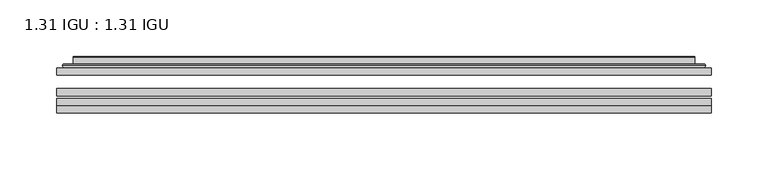
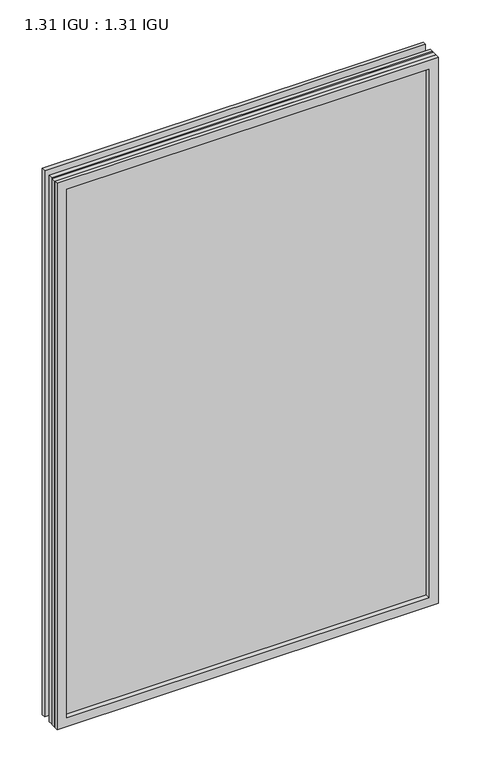
"""IFC4 building model written with IfcOpenShell, lengths in millimetres: plate geometry, 1.31 IGU : 1.31 IGU."""

from ifc_helpers import new_model, si_unit, frame, origin, place, context, project, spatial, polyline, ellipse_curve, outline, extrude, faceted_brep, source, transform, mapped, element, save
from ifc_brep_helpers import plane_surface, cylinder_surface, advanced_brep


def plate_1_31_igu_1_31_igu_5e510247(model_context):
    return source(origin(), model_context, "Body", "SolidModel", [
        extrude(outline(polyline([(287.351675, -63.59525), (287.351675, -69.94525), (-287.3375, -69.94525), (-287.3375, -63.59525), (287.351675, -63.59525)])), frame((0.0, 0.0, -14.2875), z_axis=(0.0, 0.0, 1.0), x_axis=(1.0, 0.0, 0.0)), (0.0, 0.0, 1.0), 869.9537979),
        extrude(outline(polyline([(-287.3375, -78.58125), (-287.3375, -72.230745), (287.351675, -72.230745), (287.351675, -78.58125), (-287.3375, -78.58125)])), frame((0.0, 0.0, -14.2875), z_axis=(0.0, 0.0, 1.0), x_axis=(1.0, 0.0, 0.0)), (0.0, 0.0, 1.0), 869.9537979),
        extrude(outline(polyline([(287.351675, -45.25645), (287.351675, -51.60645), (-287.3375, -51.60645), (-287.3375, -45.25645), (287.351675, -45.25645)])), frame((0.0, 0.0, -14.2875), z_axis=(0.0, 0.0, 1.0), x_axis=(1.0, 0.0, 0.0)), (0.0, 0.0, 1.0), 869.9537979),
        faceted_brep([(-287.3502, -84.93125, 855.6752), (-287.3502, -78.58125, 855.6752), (-287.3502, -78.58125, -14.3002), (-287.3502, -84.93125, -14.3002), (287.3502, -78.58125, -14.3002), (287.3502, -84.93125, -14.3002), (287.3502, -78.58125, 855.6752), (287.3502, -84.93125, 855.6752), (-272.1522559, -78.58125, 0.8977441), (272.1522559, -78.58125, 0.8977441), (272.1522559, -78.58125, 840.4772559), (-272.1522559, -78.58125, 840.4772559), (-273.0446902, -84.93125, 841.3696902), (273.0446902, -84.93125, 841.3696902), (273.0446902, -84.93125, 0.0053098), (-273.0446902, -84.93125, 0.0053098)], [[[0, 1, 2, 3]], [[3, 2, 4, 5]], [[5, 4, 6, 7]], [[1, 6, 4, 2], [8, 9, 10, 11]], [[7, 6, 1, 0]], [[3, 5, 7, 0], [12, 13, 14, 15]], [[11, 12, 15, 8]], [[8, 15, 14, 9]], [[9, 14, 13, 10]], [[10, 13, 12, 11]]]),
        advanced_brep(
        [(-280.096219, -45.25645, 848.4212191), (-282.4504244, -43.2667833, 850.7754244), (-282.4504244, -43.2667833, -9.4004244), (-280.096219, -45.25645, -7.046219), (-271.0218939, -41.416413, 839.3468939), (-266.0870621, -45.25645, 834.4120621), (-266.0870621, -45.25645, 6.9629379), (-271.0218939, -41.416413, 2.0281061), (-272.0539217, -36.0191819, 840.3789217), (-272.0539217, -36.0191819, 0.9960783), (-273.0445784, -35.6202069, 841.3695784), (-273.0445784, -35.6202069, 0.0054216), (-273.0445784, -42.08145, 841.3695784), (-273.0445784, -42.08145, 0.0054216), (-281.4486349, -42.08145, 849.7736349), (-281.4486349, -42.08145, -8.3986349), (282.4504244, -43.2667833, -9.4004244), (280.096219, -45.25645, -7.046219), (266.0870621, -45.25645, 6.9629379), (271.0218939, -41.416413, 2.0281061), (272.0539217, -36.0191819, 0.9960783), (273.0445784, -35.6202069, 0.0054216), (273.0445784, -42.08145, 0.0054216), (281.4486349, -42.08145, -8.3986349), (282.4504244, -43.2667833, 850.7754244), (280.096219, -45.25645, 848.4212191), (266.0870621, -45.25645, 834.4120621), (271.0218939, -41.416413, 839.3468939), (272.0539217, -36.0191819, 840.3789217), (273.0445784, -35.6202069, 841.3695784), (273.0445784, -42.08145, 841.3695784), (281.4486349, -42.08145, 849.7736349)],
        [
            (0, 1, ellipse_curve(frame((-280.096219, -42.86885, 848.4212191), z_axis=(-0.7071067811865475, 0.0, -0.7071067811865475), x_axis=(-0.7071067811865474, 0.0, 0.7071067811865476)), 3.3765763, 2.3876)),
            (1, 2),
            (2, 3, ellipse_curve(frame((-280.096219, -42.86885, -7.046219), z_axis=(-0.7071067811865475, 0.0, 0.7071067811865475), x_axis=(0.7071067811865474, 0.0, 0.7071067811865476)), 3.3765763, 2.3876)),
            (3, 0),
            (4, 5),
            (5, 6),
            (6, 7),
            (7, 4),
            (8, 4),
            (7, 9),
            (9, 8),
            (10, 8, ellipse_curve(frame((-272.6776219, -36.1384423, 841.0026219), z_axis=(-0.7071067811865475, 0.0, -0.7071067811865475), x_axis=(-0.7071067811865474, 0.0, 0.7071067811865476)), 0.8980256, 0.635)),
            (9, 11, ellipse_curve(frame((-272.6776219, -36.1384423, 0.3723781), z_axis=(-0.7071067811865475, 0.0, 0.7071067811865475), x_axis=(0.7071067811865474, 0.0, 0.7071067811865476)), 0.8980256, 0.635)),
            (11, 10),
            (12, 10),
            (11, 13),
            (13, 12),
            (1, 14, ellipse_curve(frame((-281.4486349, -43.09745, 849.7736349), z_axis=(-0.7071067811865475, 0.0, -0.7071067811865475), x_axis=(-0.7071067811865474, 0.0, 0.7071067811865476)), 1.436841, 1.016)),
            (14, 15),
            (15, 2, ellipse_curve(frame((-281.4486349, -43.09745, -8.3986349), z_axis=(-0.7071067811865475, 0.0, 0.7071067811865475), x_axis=(0.7071067811865474, 0.0, 0.7071067811865476)), 1.436841, 1.016)),
            (2, 16),
            (16, 17, ellipse_curve(frame((280.096219, -42.86885, -7.046219), z_axis=(-0.7071067811865475, 0.0, -0.7071067811865475), x_axis=(-0.7071067811865476, 0.0, 0.7071067811865474)), 3.3765763, 2.3876)),
            (17, 3),
            (6, 18),
            (18, 19),
            (19, 7),
            (19, 20),
            (20, 9),
            (20, 21, ellipse_curve(frame((272.6776219, -36.1384423, 0.3723781), z_axis=(-0.7071067811865475, 0.0, -0.7071067811865475), x_axis=(-0.7071067811865476, 0.0, 0.7071067811865474)), 0.8980256, 0.635)),
            (21, 11),
            (21, 22),
            (22, 13),
            (15, 23),
            (23, 16, ellipse_curve(frame((281.4486349, -43.09745, -8.3986349), z_axis=(-0.7071067811865475, 0.0, -0.7071067811865475), x_axis=(-0.7071067811865476, 0.0, 0.7071067811865474)), 1.436841, 1.016)),
            (16, 24),
            (24, 25, ellipse_curve(frame((280.096219, -42.86885, 848.4212191), z_axis=(0.7071067811865475, 0.0, -0.7071067811865475), x_axis=(-0.7071067811865474, 0.0, -0.7071067811865476)), 3.3765763, 2.3876)),
            (25, 17),
            (18, 26),
            (26, 27),
            (27, 19),
            (27, 28),
            (28, 20),
            (28, 29, ellipse_curve(frame((272.6776219, -36.1384423, 841.0026219), z_axis=(0.7071067811865475, 0.0, -0.7071067811865475), x_axis=(-0.7071067811865474, 0.0, -0.7071067811865476)), 0.8980256, 0.635)),
            (29, 21),
            (29, 30),
            (30, 22),
            (23, 31),
            (31, 24, ellipse_curve(frame((281.4486349, -43.09745, 849.7736349), z_axis=(0.7071067811865475, 0.0, -0.7071067811865475), x_axis=(-0.7071067811865474, 0.0, -0.7071067811865476)), 1.436841, 1.016)),
            (24, 1),
            (0, 25),
            (5, 26),
            (4, 27),
            (8, 28),
            (10, 29),
            (12, 30),
            (14, 31),
        ],
        [
            cylinder_surface(frame((-280.096219, -42.86885, 873.125), z_axis=(0.0, 0.0, 1.0), x_axis=(-1.0, 0.0, 0.0)), 2.3876),
            plane_surface(frame((-266.0870621, -45.25645, 834.4120621), z_axis=(0.6141233906514794, 0.7892100234124821, 0.0), x_axis=(0.0, 0.0, -1.0))),
            plane_surface(frame((-271.0218939, -41.416413, 839.3468939), z_axis=(0.9822050625507729, 0.18781164793386076, 0.0), x_axis=(0.0, 0.0, -1.0))),
            cylinder_surface(frame((-272.6776219, -36.1384423, 873.125), z_axis=(0.0, 0.0, 1.0), x_axis=(-1.0, 0.0, 0.0)), 0.635),
            plane_surface(frame((-273.0445784, -35.6202069, 841.3695784), z_axis=(-1.0, 0.0, 0.0), x_axis=(0.0, 0.0, -1.0))),
            cylinder_surface(frame((-281.4486349, -43.09745, 873.125), z_axis=(0.0, 0.0, 1.0), x_axis=(-1.0, 0.0, 0.0)), 1.016),
            cylinder_surface(frame((-304.8, -42.86885, -7.046219), z_axis=(-1.0, 0.0, 0.0), x_axis=(0.0, 0.0, -1.0)), 2.3876),
            plane_surface(frame((-266.0870621, -45.25645, 6.9629379), z_axis=(0.0, 0.7892100234124841, 0.6141233906514768), x_axis=(1.0, 0.0, 0.0))),
            plane_surface(frame((-271.0218939, -41.416413, 2.0281061), z_axis=(0.0, 0.18781164793386393, 0.9822050625507723), x_axis=(1.0, 0.0, 0.0))),
            cylinder_surface(frame((-304.8, -36.1384423, 0.3723781), z_axis=(-1.0, 0.0, 0.0), x_axis=(0.0, 0.0, -1.0)), 0.635),
            plane_surface(frame((-273.0445784, -35.6202069, 0.0054216), z_axis=(0.0, 0.0, -1.0), x_axis=(1.0, 0.0, 0.0))),
            cylinder_surface(frame((-304.8, -43.09745, -8.3986349), z_axis=(-1.0, 0.0, 0.0), x_axis=(0.0, 0.0, -1.0)), 1.016),
            cylinder_surface(frame((280.096219, -42.86885, -31.75), z_axis=(0.0, 0.0, -1.0), x_axis=(1.0, 0.0, 0.0)), 2.3876),
            plane_surface(frame((266.0870621, -45.25645, 6.9629379), z_axis=(-0.6141233906514743, 0.7892100234124861, 0.0), x_axis=(0.0, 0.0, 1.0))),
            plane_surface(frame((271.0218939, -41.416413, 2.0281061), z_axis=(-0.9822050625507718, 0.1878116479338671, 0.0), x_axis=(0.0, 0.0, 1.0))),
            cylinder_surface(frame((272.6776219, -36.1384423, -31.75), z_axis=(0.0, 0.0, -1.0), x_axis=(1.0, 0.0, 0.0)), 0.635),
            plane_surface(frame((273.0445784, -35.6202069, 0.0054216), z_axis=(1.0, 0.0, 0.0), x_axis=(0.0, 0.0, 1.0))),
            cylinder_surface(frame((281.4486349, -43.09745, -31.75), z_axis=(0.0, 0.0, -1.0), x_axis=(1.0, 0.0, 0.0)), 1.016),
            cylinder_surface(frame((304.8, -42.86885, 848.4212191), z_axis=(1.0, 0.0, 0.0), x_axis=(0.0, 0.0, 1.0)), 2.3876),
            plane_surface(frame((280.096219, -45.25645, 848.4212191), z_axis=(0.0, -1.0, 0.0), x_axis=(-1.0, 0.0, 0.0))),
            plane_surface(frame((266.0870621, -45.25645, 834.4120621), z_axis=(0.0, 0.7892100234124841, -0.6141233906514768), x_axis=(-1.0, 0.0, 0.0))),
            plane_surface(frame((271.0218939, -41.416413, 839.3468939), z_axis=(0.0, 0.18781164793386393, -0.9822050625507723), x_axis=(-1.0, 0.0, 0.0))),
            cylinder_surface(frame((304.8, -36.1384423, 841.0026219), z_axis=(1.0, 0.0, 0.0), x_axis=(0.0, 0.0, 1.0)), 0.635),
            plane_surface(frame((273.0445784, -35.6202069, 841.3695784), z_axis=(0.0, 0.0, 1.0), x_axis=(-1.0, 0.0, 0.0))),
            plane_surface(frame((273.0445784, -42.08145, 841.3695784), z_axis=(0.0, 1.0, 0.0), x_axis=(-1.0, 0.0, 0.0))),
            cylinder_surface(frame((304.8, -43.09745, 849.7736349), z_axis=(1.0, 0.0, 0.0), x_axis=(0.0, 0.0, 1.0)), 1.016),
        ],
        [
            (0, [[1, 2, 3, 4]]),
            (1, [[5, 6, 7, 8]]),
            (2, [[9, -8, 10, 11]]),
            (3, [[12, -11, 13, 14]]),
            (4, [[15, -14, 16, 17]]),
            (5, [[18, 19, 20, -2]]),
            (6, [[-3, 21, 22, 23]]),
            (7, [[-7, 24, 25, 26]]),
            (8, [[-10, -26, 27, 28]]),
            (9, [[-13, -28, 29, 30]]),
            (10, [[-16, -30, 31, 32]]),
            (11, [[-20, 33, 34, -21]]),
            (12, [[-22, 35, 36, 37]]),
            (13, [[-25, 38, 39, 40]]),
            (14, [[-27, -40, 41, 42]]),
            (15, [[-29, -42, 43, 44]]),
            (16, [[-31, -44, 45, 46]]),
            (17, [[-34, 47, 48, -35]]),
            (18, [[-36, 49, -1, 50]]),
            (19, [[-23, -37, -50, -4], [51, -38, -24, -6]]),
            (20, [[-39, -51, -5, 52]]),
            (21, [[-41, -52, -9, 53]]),
            (22, [[-43, -53, -12, 54]]),
            (23, [[-45, -54, -15, 55]]),
            (24, [[56, -47, -33, -19], [-32, -46, -55, -17]]),
            (25, [[-48, -56, -18, -49]]),
        ],
    ),
    ])


if __name__ == "__main__":
    model = new_model("IFC4")
    model_context = context("Model", 3, world=origin())
    ifc_project = project(units=[si_unit("LENGTHUNIT", "METRE", prefix="MILLI")], contexts=[model_context])
    site = spatial("IfcSite", under=ifc_project)
    building = spatial("IfcBuilding", under=site)
    placement = place(None, origin())
    plate_1_31_igu_1_31_igu_shape = plate_1_31_igu_1_31_igu_5e510247(model_context)
    element("IfcPlate", 1, ObjectType="1.31 IGU : 1.31 IGU", at=placement, inside=building, context=model_context, shape_type="MappedRepresentation", body=[
        mapped(plate_1_31_igu_1_31_igu_shape, transform((0.0, 0.0, 0.0), x_axis=(1.0, 0.0, 0.0), y_axis=(0.0, 1.0, 0.0), z_axis=(0.0, 0.0, 1.0))),
    ])
    save(model, "model.ifc")
